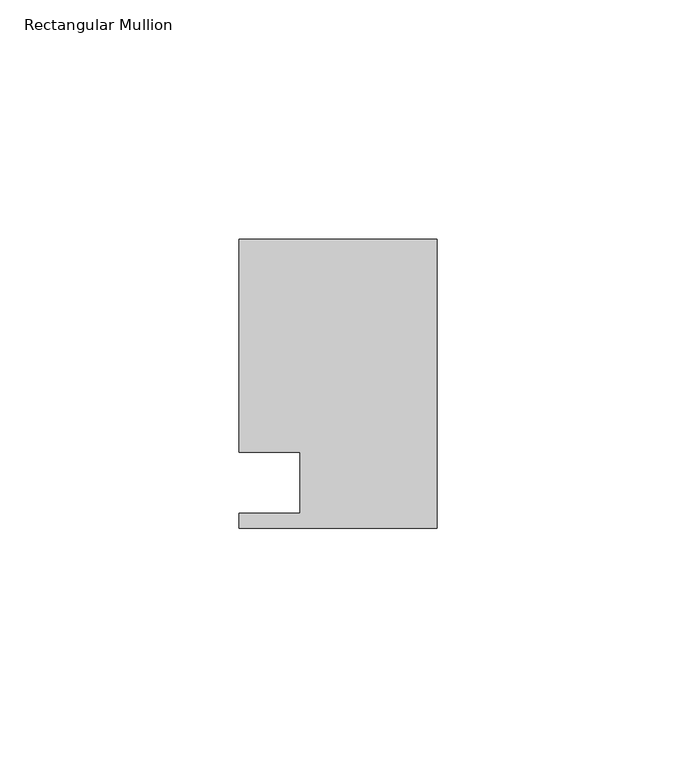
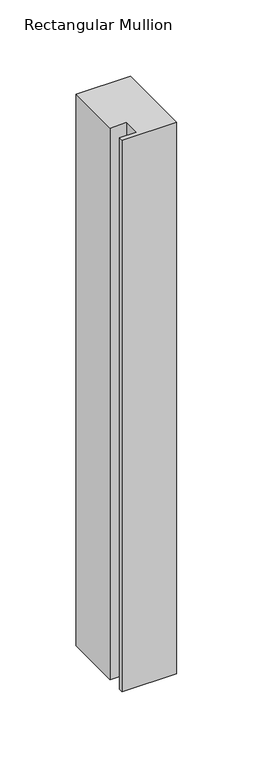
"""IFC4 building model written with IfcOpenShell, lengths in millimetres: member geometry, Rectangular Mullion."""

from ifc_helpers import new_model, si_unit, frame, origin, place, context, project, spatial, polyline, outline, extrude, source, transform, mapped, element, save


def rectangular_mullion_c53c36fd(model_context):
    return source(origin(), model_context, "Body", "SweptSolid", [
        extrude(outline(polyline([(0.0, 30.1625), (0.0, -30.1625), (-41.275, -30.1625), (-41.275, -26.9875), (-28.575, -26.9875), (-28.575, -14.2875), (-41.275, -14.2875), (-41.275, 30.1625), (0.0, 30.1625)])), frame((0.0, 0.0, -441.325), z_axis=(0.0, 0.0, 1.0), x_axis=(1.0, 0.0, 0.0)), (0.0, 0.0, 1.0), 441.325),
    ])


if __name__ == "__main__":
    model = new_model("IFC4")
    model_context = context("Model", 3, world=origin())
    ifc_project = project(units=[si_unit("LENGTHUNIT", "METRE", prefix="MILLI")], contexts=[model_context])
    site = spatial("IfcSite", under=ifc_project)
    building = spatial("IfcBuilding", under=site)
    placement = place(None, origin())
    rectangular_mullion_shape = rectangular_mullion_c53c36fd(model_context)
    element("IfcMember", 1, ObjectType="Rectangular Mullion", at=placement, inside=building, context=model_context, shape_type="MappedRepresentation", body=[
        mapped(rectangular_mullion_shape, transform((0.0, 0.0, 0.0), x_axis=(1.0, 0.0, 0.0), y_axis=(0.0, 1.0, 0.0), z_axis=(0.0, 0.0, 1.0))),
    ])
    save(model, "model.ifc")
